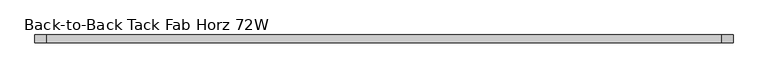
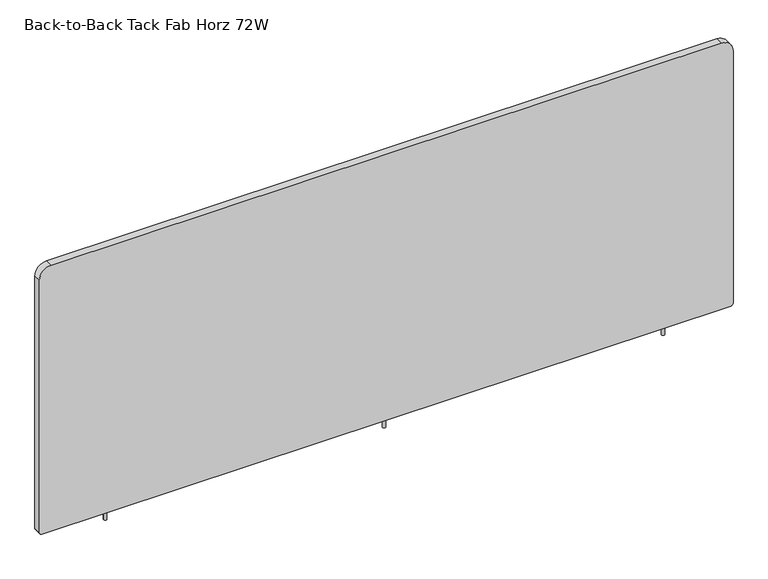
"""IFC4 building model written with IfcOpenShell, lengths in millimetres: furniture geometry, Back-to-Back Tack Fab Horz 72W."""

from ifc_helpers import new_model, si_unit, point, frame, frame_2d, origin, place, context, project, spatial, polyline, circle_curve, trimmed, segment, composite_curve, outline, extrude, source, transform, mapped, element, save


def back_to_back_tack_fab_horz_72w_7738bc4e(model_context):
    return source(origin(), model_context, "Body", "SweptSolid", [
        extrude(outline(composite_curve([segment(trimmed(circle_curve(frame_2d((863.6, 0.0)), 3.81), [point((859.79, 0.0))], [point((867.41, 0.0))], False, "CARTESIAN"), True, "CONTINUOUS"), segment(trimmed(circle_curve(frame_2d((863.6, 0.0)), 3.81), [point((867.41, 0.0))], [point((859.79, 0.0))], False, "CARTESIAN"), True, "CONTINUOUS")], self_intersect=False)), frame((0.0, 0.0, 433.4256), z_axis=(0.0, 0.0, 1.0), x_axis=(1.0, 0.0, 0.0)), (0.0, 0.0, 1.0), 26.3906),
        extrude(outline(composite_curve([segment(trimmed(circle_curve(frame_2d((1557.909, 0.0)), 3.81), [point((1554.099, 0.0))], [point((1561.719, 0.0))], False, "CARTESIAN"), True, "CONTINUOUS"), segment(trimmed(circle_curve(frame_2d((1557.909, 0.0)), 3.81), [point((1561.719, 0.0))], [point((1554.099, 0.0))], False, "CARTESIAN"), True, "CONTINUOUS")], self_intersect=False)), frame((0.0, 0.0, 433.4256), z_axis=(0.0, 0.0, 1.0), x_axis=(1.0, 0.0, 0.0)), (0.0, 0.0, 1.0), 26.3906),
        extrude(outline(composite_curve([segment(trimmed(circle_curve(frame_2d((169.291, 0.0)), 3.81), [point((165.481, 0.0))], [point((173.101, 0.0))], False, "CARTESIAN"), True, "CONTINUOUS"), segment(trimmed(circle_curve(frame_2d((169.291, 0.0)), 3.81), [point((173.101, 0.0))], [point((165.481, 0.0))], False, "CARTESIAN"), True, "CONTINUOUS")], self_intersect=False)), frame((0.0, 0.0, 433.4256), z_axis=(0.0, 0.0, 1.0), x_axis=(1.0, 0.0, 0.0)), (0.0, 0.0, 1.0), 26.3906),
        extrude(outline(composite_curve([segment(polyline([(1156.5382, 1697.3042), (1156.5382, 29.8958)]), True, "CONTINUOUS"), segment(trimmed(circle_curve(frame_2d((1126.6424, 29.8958)), 29.8958), [point((1156.5382, 29.8958))], [point((1126.6424, 0.0))], False, "CARTESIAN"), True, "CONTINUOUS"), segment(polyline([(1126.6424, 0.0), (462.6102, 0.0)]), True, "CONTINUOUS"), segment(trimmed(circle_curve(frame_2d((462.6102, 6.35)), 6.35), [point((462.6102, 0.0))], [point((456.2602, 6.35))], False, "CARTESIAN"), True, "CONTINUOUS"), segment(polyline([(456.2602, 6.35), (456.2602, 1720.85)]), True, "CONTINUOUS"), segment(trimmed(circle_curve(frame_2d((462.6102, 1720.85)), 6.35), [point((456.2602, 1720.85))], [point((462.6102, 1727.2))], False, "CARTESIAN"), True, "CONTINUOUS"), segment(polyline([(462.6102, 1727.2), (1126.6424, 1727.2)]), True, "CONTINUOUS"), segment(trimmed(circle_curve(frame_2d((1126.6424, 1697.3042)), 29.8958), [point((1126.6424, 1727.2))], [point((1156.5382, 1697.3042))], False, "CARTESIAN"), True, "CONTINUOUS")], self_intersect=False)), frame((0.0, -9.5295067, 0.0), z_axis=(0.0, 1.0, 0.0), x_axis=(0.0, 0.0, 1.0)), (0.0, 0.0, 1.0), 19.05),
    ])


if __name__ == "__main__":
    model = new_model("IFC4")
    model_context = context("Model", 3, world=origin())
    ifc_project = project(units=[si_unit("LENGTHUNIT", "METRE", prefix="MILLI")], contexts=[model_context])
    site = spatial("IfcSite", under=ifc_project)
    building = spatial("IfcBuilding", under=site)
    placement = place(None, origin())
    back_to_back_tack_fab_horz_72w_shape = back_to_back_tack_fab_horz_72w_7738bc4e(model_context)
    element("IfcFurniture", 1, ObjectType="Back-to-Back Tack Fab Horz 72W", at=placement, inside=building, context=model_context, shape_type="MappedRepresentation", body=[
        mapped(back_to_back_tack_fab_horz_72w_shape, transform((0.0, 0.0, 0.0), x_axis=(1.0, 0.0, 0.0), y_axis=(0.0, 1.0, 0.0), z_axis=(0.0, 0.0, 1.0))),
    ])
    save(model, "model.ifc")
